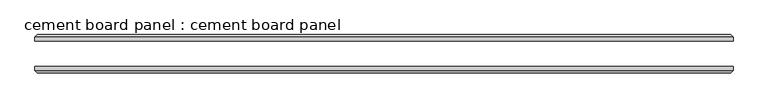
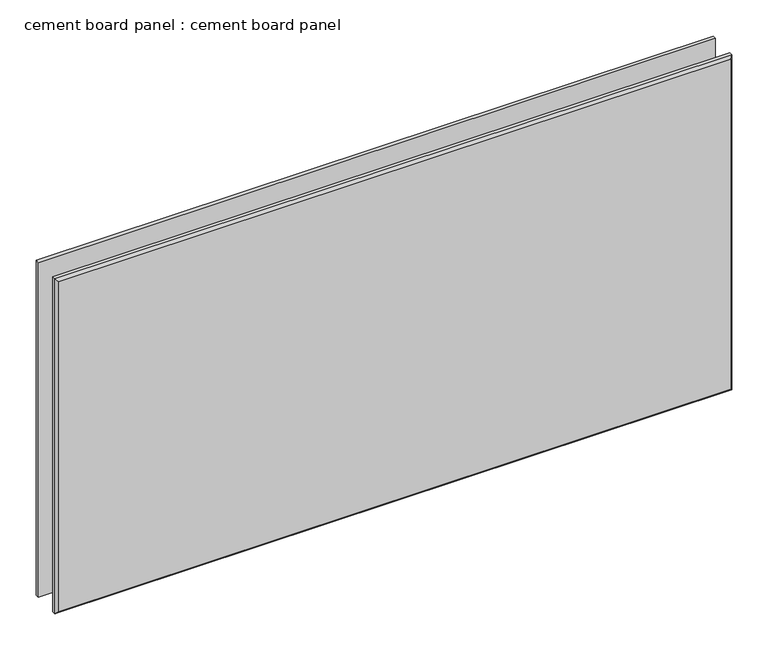
"""IFC4 building model written with IfcOpenShell, lengths in millimetres: plate geometry, cement board panel : cement board panel."""

from ifc_helpers import new_model, si_unit, origin, place, context, project, spatial, faceted_brep, source, transform, mapped, element, save


def cement_board_panel_cement_board_panel_90edabbf(model_context):
    return source(origin(), model_context, "Body", "Brep", [
        faceted_brep([(1362.5, -50.0, 1425.0), (-1362.5, -50.0, 1425.0), (-1362.5, -65.0, 1425.0), (1362.5, -65.0, 1425.0), (-1362.5, -50.0, 0.0), (1362.5, -50.0, 0.0), (1362.5, -65.0, 0.0), (-1362.5, -65.0, 0.0), (-1352.5, -75.0, 10.0), (1352.5, -75.0, 10.0), (1352.5, -75.0, 1415.0), (-1352.5, -75.0, 1415.0)], [[[0, 1, 2, 3]], [[4, 5, 6, 7]], [[1, 0, 5, 4]], [[1, 4, 7, 2]], [[8, 9, 10, 11]], [[5, 0, 3, 6]], [[6, 9, 8, 7]], [[9, 6, 3, 10]], [[10, 3, 2, 11]], [[7, 8, 11, 2]]]),
        faceted_brep([(-1362.5, 50.0, 1425.0), (1362.5, 50.0, 1425.0), (1362.5, 65.0, 1425.0), (-1362.5, 65.0, 1425.0), (1362.5, 50.0, 0.0), (-1362.5, 50.0, 0.0), (-1362.5, 65.0, 0.0), (1362.5, 65.0, 0.0), (1352.5, 75.0, 10.0), (-1352.5, 75.0, 10.0), (-1352.5, 75.0, 1415.0), (1352.5, 75.0, 1415.0)], [[[0, 1, 2, 3]], [[4, 5, 6, 7]], [[1, 4, 7, 2]], [[8, 9, 10, 11]], [[5, 0, 3, 6]], [[1, 0, 5, 4]], [[6, 9, 8, 7]], [[9, 6, 3, 10]], [[10, 3, 2, 11]], [[7, 8, 11, 2]]]),
    ])


if __name__ == "__main__":
    model = new_model("IFC4")
    model_context = context("Model", 3, world=origin())
    ifc_project = project(units=[si_unit("LENGTHUNIT", "METRE", prefix="MILLI")], contexts=[model_context])
    site = spatial("IfcSite", under=ifc_project)
    building = spatial("IfcBuilding", under=site)
    placement = place(None, origin())
    cement_board_panel_cement_board_panel_shape = cement_board_panel_cement_board_panel_90edabbf(model_context)
    element("IfcPlate", 1, ObjectType="cement board panel : cement board panel", at=placement, inside=building, context=model_context, shape_type="MappedRepresentation", body=[
        mapped(cement_board_panel_cement_board_panel_shape, transform((0.0, 0.0, 0.0), x_axis=(1.0, 0.0, 0.0), y_axis=(0.0, 1.0, 0.0), z_axis=(0.0, 0.0, 1.0))),
    ])
    save(model, "model.ifc")
